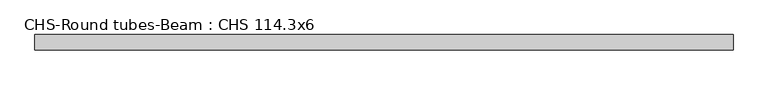
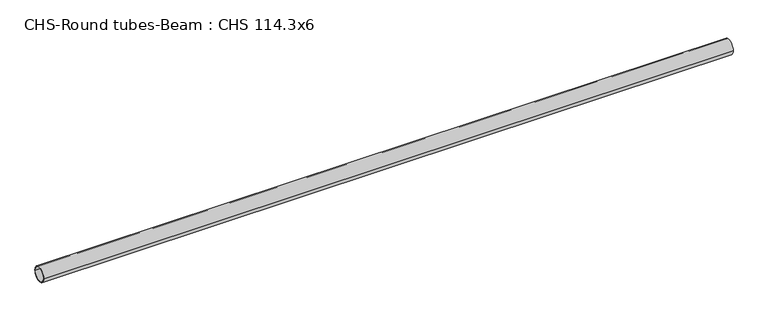
"""IFC4 building model written with IfcOpenShell, lengths in millimetres: beam geometry, CHS-Round tubes-Beam : CHS 114.3x6."""

import ifcopenshell
import ifcopenshell.guid

model = None  # the IFC model being written
_history = None  # IfcOwnerHistory: only IFC2X3 demands one
_inside = {}  # id of a spatial element -> (the spatial element, [elements in it])
_under = {}  # id of a project, library or spatial element -> (it, [spatial elements below it])
_declared = {}  # id of a project -> (the project, [libraries it declares])
_typed = {}  # id of a type object -> (the type object, [elements of that type])
_made_of = {}  # id of a material, layer set ... -> (it, [elements and type objects made of it])


def new_model(schema):
    """Start an empty IFC model of exactly this schema.

    Asked for "IFC4X3", IfcOpenShell would pick the latest addendum, in which some entities
    have other attributes; the version numbers below select the first issue.
    IFC2X3 requires an IfcOwnerHistory on every rooted entity: one is made here for all.
    """
    global model, _history
    if schema == "IFC4X3":
        model = ifcopenshell.file(schema_version=(4, 3, 0, 0))
    else:
        model = ifcopenshell.file(schema=schema)
    _inside.clear()
    _under.clear()
    _declared.clear()
    _typed.clear()
    _made_of.clear()
    _history = None
    if model.schema == "IFC2X3":
        org = make("IfcOrganization", Name="unknown")
        user = make(
            "IfcPersonAndOrganization",
            ThePerson=make("IfcPerson", FamilyName="unknown"),
            TheOrganization=org,
        )
        app = make(
            "IfcApplication",
            ApplicationDeveloper=org,
            Version="unknown",
            ApplicationFullName="unknown",
            ApplicationIdentifier="unknown",
        )
        _history = make(
            "IfcOwnerHistory",
            OwningUser=user,
            OwningApplication=app,
            ChangeAction="ADDED",
            CreationDate=0,
        )
    return model


def make(cls, **values):
    """One entity of the class cls with the attributes given. An attribute that is None is left unset."""
    return model.create_entity(
        cls, **{name: value for name, value in values.items() if value is not None}
    )


def rooted(cls, **values):
    """An entity with a GlobalId (a new one), such as an element, a storey or a relation."""
    return make(cls, GlobalId=ifcopenshell.guid.new(), OwnerHistory=_history, **values)


def si_unit(unit_type, name, prefix=None):
    """IfcSIUnit, for example si_unit("LENGTHUNIT", "METRE", prefix="MILLI")."""
    return make("IfcSIUnit", UnitType=unit_type, Prefix=prefix, Name=name)


def assignment(units):
    """IfcUnitAssignment: the units of a project."""
    return None if units is None else make("IfcUnitAssignment", Units=units)


def point(xyz):
    """IfcCartesianPoint."""
    return None if xyz is None else make("IfcCartesianPoint", Coordinates=xyz)


def direction(xyz):
    """IfcDirection."""
    return None if xyz is None else make("IfcDirection", DirectionRatios=xyz)


def frame(location, z_axis=None, x_axis=None):
    """IfcAxis2Placement3D, a coordinate frame: its origin and axes. An axis left out is left unset."""
    return make(
        "IfcAxis2Placement3D",
        Location=point(location),
        Axis=direction(z_axis),
        RefDirection=direction(x_axis),
    )


def frame_2d(location, x_axis=None):
    """IfcAxis2Placement2D, a coordinate frame in the plane: its origin and x axis."""
    return make(
        "IfcAxis2Placement2D", Location=point(location), RefDirection=direction(x_axis)
    )


def origin():
    """The frame at (0, 0, 0) with its axes left unset."""
    return frame((0.0, 0.0, 0.0))


def origin_2d():
    """The frame at (0, 0) in the plane with its x axis left unset."""
    return frame_2d((0.0, 0.0))


def place(relative_to, where):
    """IfcLocalPlacement: puts the frame where relative to a parent placement (None: the world)."""
    return make(
        "IfcLocalPlacement", PlacementRelTo=relative_to, RelativePlacement=where
    )


def context(
    kind, dimensions, precision=None, world=None, true_north=None, identifier=None
):
    """IfcGeometricRepresentationContext, for example the 3D "Model" context."""
    return make(
        "IfcGeometricRepresentationContext",
        ContextIdentifier=identifier,
        ContextType=kind,
        CoordinateSpaceDimension=dimensions,
        Precision=precision,
        WorldCoordinateSystem=world,
        TrueNorth=true_north,
    )


def project(units=None, contexts=None):
    """IfcProject with its units and contexts."""
    return rooted(
        "IfcProject",
        Name="project",
        RepresentationContexts=contexts,
        UnitsInContext=assignment(units),
    )


def spatial(cls, under=None, at=None, **own):
    """A site, building, storey or space (cls), placed at a placement, below another one or the project."""
    s = rooted(cls, ObjectPlacement=at, **own)
    if under is not None:
        _under.setdefault(under.id(), (under, []))[1].append(s)
    return s


def circle_curve(where, radius):
    """IfcCircle in the frame where."""
    return make("IfcCircle", Position=where, Radius=radius)


def trimmed(basis, trim1, trim2, sense, master):
    """IfcTrimmedCurve: the piece of a basis curve between two trims."""
    return make(
        "IfcTrimmedCurve",
        BasisCurve=basis,
        Trim1=trim1,
        Trim2=trim2,
        SenseAgreement=sense,
        MasterRepresentation=master,
    )


def segment(curve, same_sense, transition):
    """IfcCompositeCurveSegment."""
    return make(
        "IfcCompositeCurveSegment",
        Transition=transition,
        SameSense=same_sense,
        ParentCurve=curve,
    )


def composite_curve(segments, self_intersect=None):
    """IfcCompositeCurve: segments joined end to end."""
    return make("IfcCompositeCurve", Segments=segments, SelfIntersect=self_intersect)


def outline(outer, holes=None, kind="AREA"):
    """IfcArbitraryClosedProfileDef: a profile drawn as a closed curve; with holes, ...WithVoids."""
    if holes is None:
        return make("IfcArbitraryClosedProfileDef", ProfileType=kind, OuterCurve=outer)
    return make(
        "IfcArbitraryProfileDefWithVoids",
        ProfileType=kind,
        OuterCurve=outer,
        InnerCurves=holes,
    )


def extrude(swept, where, along, depth):
    """IfcExtrudedAreaSolid: the profile swept, set in the frame where, extruded along a direction by depth."""
    return make(
        "IfcExtrudedAreaSolid",
        SweptArea=swept,
        Position=where,
        ExtrudedDirection=direction(along),
        Depth=depth,
    )


def shape(context_of_items, identifier, shape_type, items):
    """IfcShapeRepresentation: the items that make up one representation, for example the "Body"."""
    return make(
        "IfcShapeRepresentation",
        ContextOfItems=context_of_items,
        RepresentationIdentifier=identifier,
        RepresentationType=shape_type,
        Items=items,
    )


def source(mapping_origin, context_of_items, identifier, shape_type, items):
    """IfcRepresentationMap: a shape defined once, which mapped items show again and again."""
    return make(
        "IfcRepresentationMap",
        MappingOrigin=mapping_origin,
        MappedRepresentation=shape(context_of_items, identifier, shape_type, items),
    )


def transform(
    local_origin,
    x_axis=None,
    y_axis=None,
    z_axis=None,
    scale=None,
    scale2=None,
    scale3=None,
    uniform=True,
):
    """IfcCartesianTransformationOperator3D, or its non-uniform kind. x_axis, y_axis, z_axis: its Axis1, 2, 3."""
    if uniform:
        return make(
            "IfcCartesianTransformationOperator3D",
            Axis1=direction(x_axis),
            Axis2=direction(y_axis),
            LocalOrigin=point(local_origin),
            Scale=scale,
            Axis3=direction(z_axis),
        )
    return make(
        "IfcCartesianTransformationOperator3DnonUniform",
        Axis1=direction(x_axis),
        Axis2=direction(y_axis),
        LocalOrigin=point(local_origin),
        Scale=scale,
        Axis3=direction(z_axis),
        Scale2=scale2,
        Scale3=scale3,
    )


def mapped(mapping_source, mapping_target):
    """IfcMappedItem: shows the shape of a source again, moved by a transform."""
    return make(
        "IfcMappedItem", MappingSource=mapping_source, MappingTarget=mapping_target
    )


def made_of(thing, what):
    """Note that an element or type object is made of a material, layer set ...; save() writes the relation."""
    if what is not None:
        _made_of.setdefault(what.id(), (what, []))[1].append(thing)
    return thing


def element(
    cls,
    number,
    at=None,
    inside=None,
    cuts=None,
    type_object=None,
    material=None,
    context=None,
    identifier="Body",
    shape_type=None,
    held_by="IfcProductDefinitionShape",
    body=None,
    shapes=None,
    **own,
):
    """One element of the class cls, such as IfcWall. Its Tag is "e" and its number.

    at: its placement. inside: the storey or other place that contains it. cuts: it is an
    opening in that element (IfcRelVoidsElement). A single representation is given by context,
    identifier, shape_type and body (its items); several are given by shapes. held_by: the class
    of the entity that holds the representations. save() writes the other relations.
    """
    e = rooted(cls, Tag="e%d" % number, ObjectPlacement=at, **own)
    if body is not None:
        shapes = [shape(context, identifier, shape_type, body)]
    if shapes is not None:
        e.Representation = make(held_by, Representations=shapes)
    if inside is not None:
        _inside.setdefault(inside.id(), (inside, []))[1].append(e)
    if cuts is not None:
        rooted(
            "IfcRelVoidsElement", RelatingBuildingElement=cuts, RelatedOpeningElement=e
        )
    if type_object is not None:
        _typed.setdefault(type_object.id(), (type_object, []))[1].append(e)
    return made_of(e, material)


def aggregate(whole, parts):
    """IfcRelAggregates: a whole, such as a stair, and the parts it consists of."""
    return rooted("IfcRelAggregates", RelatingObject=whole, RelatedObjects=parts)


def save(model, path):
    """Write the relations noted so far, then the file.

    IfcRelAggregates (storeys below a building ...), IfcRelContainedInSpatialStructure (elements
    in a storey), IfcRelDefinesByType, IfcRelAssociatesMaterial and IfcRelDeclares: one each for
    every whole, place, type object, material and project.
    """
    for whole, parts in _under.values():
        aggregate(whole, parts)
    for where, things in _inside.values():
        rooted(
            "IfcRelContainedInSpatialStructure",
            RelatedElements=things,
            RelatingStructure=where,
        )
    for kind, things in _typed.values():
        rooted("IfcRelDefinesByType", RelatedObjects=things, RelatingType=kind)
    for what, things in _made_of.values():
        rooted("IfcRelAssociatesMaterial", RelatedObjects=things, RelatingMaterial=what)
    for by, libraries in _declared.values():
        rooted("IfcRelDeclares", RelatingContext=by, RelatedDefinitions=libraries)
    model.write(path)


def chs_round_tubes_beam_chs_114_3x6_ff83a07d(model_context):
    return source(origin(), model_context, "Body", "SweptSolid", [
        extrude(outline(composite_curve([segment(trimmed(circle_curve(origin_2d(), 57.15), [point((57.15, 0.0))], [point((-57.15, 0.0))], False, "CARTESIAN"), True, "CONTINUOUS"), segment(trimmed(circle_curve(origin_2d(), 57.15), [point((-57.15, 0.0))], [point((57.15, 0.0))], False, "CARTESIAN"), True, "CONTINUOUS")], self_intersect=False), holes=[composite_curve([segment(trimmed(circle_curve(origin_2d(), 51.15), [point((51.15, 0.0))], [point((-51.15, 0.0))], True, "CARTESIAN"), True, "CONTINUOUS"), segment(trimmed(circle_curve(origin_2d(), 51.15), [point((-51.15, 0.0))], [point((51.15, 0.0))], True, "CARTESIAN"), True, "CONTINUOUS")], self_intersect=False)]), frame((-2619.2475803, 0.0, 0.0), z_axis=(1.0, 0.0, 0.0), x_axis=(0.0, 1.0, 0.0)), (0.0, 0.0, 1.0), 5197.808001),
    ])


if __name__ == "__main__":
    model = new_model("IFC4")
    model_context = context("Model", 3, world=origin())
    ifc_project = project(units=[si_unit("LENGTHUNIT", "METRE", prefix="MILLI")], contexts=[model_context])
    site = spatial("IfcSite", under=ifc_project)
    building = spatial("IfcBuilding", under=site)
    placement = place(None, origin())
    chs_round_tubes_beam_chs_114_3x6_shape = chs_round_tubes_beam_chs_114_3x6_ff83a07d(model_context)
    element("IfcBeam", 1, ObjectType="CHS-Round tubes-Beam : CHS 114.3x6", at=placement, inside=building, context=model_context, shape_type="MappedRepresentation", body=[
        mapped(chs_round_tubes_beam_chs_114_3x6_shape, transform((0.0, 0.0, 0.0), x_axis=(1.0, 0.0, 0.0), y_axis=(0.0, 1.0, 0.0), z_axis=(0.0, 0.0, 1.0))),
    ])
    save(model, "model.ifc")
